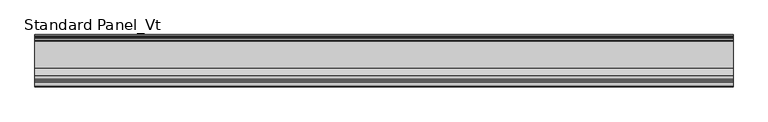
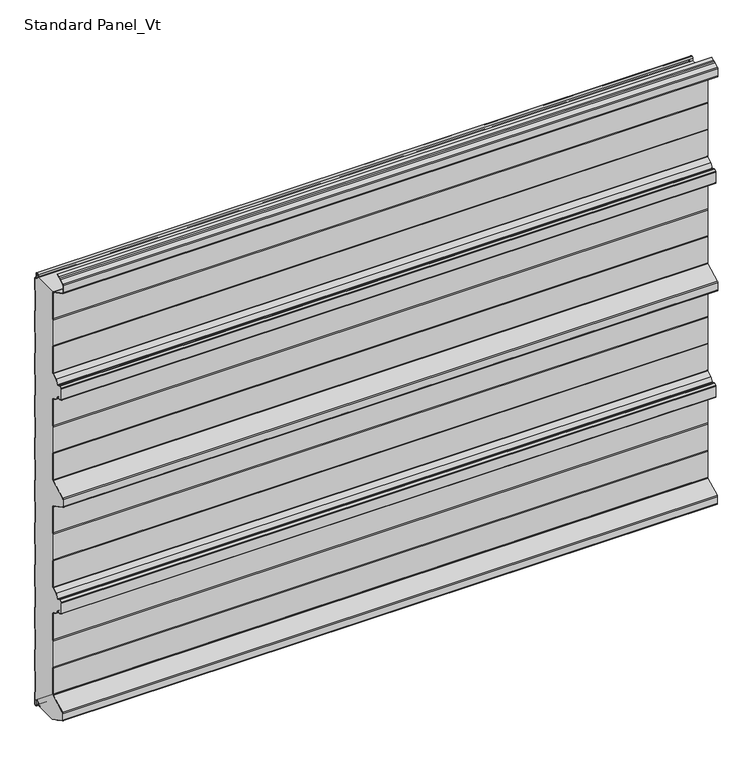
"""IFC4 building model written with IfcOpenShell, lengths in millimetres: proxy geometry, Standard Panel_Vt."""

from ifc_helpers import new_model, si_unit, point, frame, frame_2d, origin, place, context, project, spatial, polyline, circle_curve, trimmed, segment, composite_curve, outline, extrude, source, transform, mapped, element, save


def standard_panel_vt_ffb8ff2b(model_context):
    return source(origin(), model_context, "Body", "SweptSolid", [
        extrude(outline(composite_curve([segment(trimmed(circle_curve(frame_2d((-71.75, 967.456399)), 2.55), [point((-69.2, 967.456399))], [point((-69.6107833, 968.8442938))], True, "CARTESIAN"), True, "CONTINUOUS"), segment(polyline([(-69.6107833, 968.8442938), (-13.0699171, 968.8442938), (-11.8132517, 974.2875095)]), True, "CONTINUOUS"), segment(trimmed(circle_curve(frame_2d((-9.036297, 973.646399)), 2.85), [point((-11.8132517, 974.2875095))], [point((-6.186297, 973.646399))], False, "CARTESIAN"), True, "CONTINUOUS"), segment(polyline([(-6.186297, 973.646399), (-6.186297, 963.846399)]), True, "CONTINUOUS"), segment(trimmed(circle_curve(frame_2d((-3.436297, 963.846399)), 2.75), [point((-6.186297, 963.846399))], [point((-3.436297, 961.096399))], True, "CARTESIAN"), True, "CONTINUOUS"), segment(polyline([(-3.436297, 961.096399), (-2.036297, 961.096399)]), True, "CONTINUOUS"), segment(trimmed(circle_curve(frame_2d((-2.036297, 959.846399)), 1.25), [point((-2.036297, 961.096399))], [point((-0.786297, 959.846399))], False, "CARTESIAN"), True, "CONTINUOUS"), segment(polyline([(-0.786297, 959.846399), (-0.786297, 932.8331036), (-1.786297, 931.1010528), (-1.786297, 884.6770917), (-0.786297, 882.9025902), (-0.786297, 833.8331036), (-1.8, 832.1010528), (-1.8, 785.6364357), (-0.8, 783.9043849), (-0.8, 734.8331036), (-1.8, 733.1010528), (-1.8, 686.6770917), (-0.8, 684.9025902), (-0.8, 635.8331036), (-1.8, 634.1010528), (-1.8, 587.6770917), (-0.8, 585.9025902), (-0.8, 536.8331036), (-1.8, 535.1010528), (-1.8, 488.6364357), (-0.8, 486.9043849), (-0.8, 437.8331036), (-1.8, 436.1010528), (-1.8, 389.6364357), (-0.8, 387.9043849), (-0.8, 338.8331036), (-1.8, 337.1010528), (-1.8, 290.6770917), (-0.8, 288.9025902), (-0.8, 239.8331036), (-1.8, 238.1010528), (-1.8, 191.6364357), (-0.8, 189.9043849), (-0.8, 140.8331036), (-1.8, 139.1010528), (-1.8, 92.6364357), (-0.8, 90.9043849), (-0.8, 41.8331036), (-1.8, 40.1010528), (-1.8, -6.3635643), (-0.8, -8.0956151), (-0.8, -35.653601)]), True, "CONTINUOUS"), segment(trimmed(circle_curve(frame_2d((-2.55, -35.653601)), 1.75), [point((-0.8, -35.653601))], [point((-4.3, -35.653601))], False, "CARTESIAN"), True, "CONTINUOUS"), segment(polyline([(-4.3, -35.653601), (-4.3, -26.153601)]), True, "CONTINUOUS"), segment(trimmed(circle_curve(frame_2d((-9.05, -26.153601)), 4.75), [point((-4.3, -26.153601))], [point((-13.7278368, -25.3287722))], True, "CARTESIAN"), True, "CONTINUOUS"), segment(polyline([(-13.7278368, -25.3287722), (-14.4904098, -29.6535385)]), True, "CONTINUOUS"), segment(trimmed(circle_curve(frame_2d((-15.3274964, -29.5059375)), 0.85), [point((-14.4904098, -29.6535385))], [point((-16.1690547, -29.6254352))], False, "CARTESIAN"), True, "CONTINUOUS"), segment(polyline([(-16.1690547, -29.6254352), (-16.8682582, -24.7013192), (-17.660313, -24.8137877), (-16.9611095, -29.7379036)]), True, "CONTINUOUS"), segment(trimmed(circle_curve(frame_2d((-15.3274964, -29.5059375)), 1.65), [point((-16.9611095, -29.7379036))], [point((-15.3551162, -31.1557063))], True, "CARTESIAN"), True, "CONTINUOUS"), segment(polyline([(-15.3551162, -31.1557063), (-66.7559646, -31.1557063), (-105.4808064, -10.5653426)]), True, "CONTINUOUS"), segment(trimmed(circle_curve(frame_2d((-104.5183897, -8.7553)), 2.05), [point((-105.4808064, -10.5653426))], [point((-106.5683897, -8.7553))], False, "CARTESIAN"), True, "CONTINUOUS"), segment(polyline([(-106.5683897, -8.7553), (-106.5683897, 6.7553)]), True, "CONTINUOUS"), segment(trimmed(circle_curve(frame_2d((-104.5183897, 6.7553)), 2.05), [point((-106.5683897, 6.7553))], [point((-105.4813607, 8.5650477))], False, "CARTESIAN"), True, "CONTINUOUS"), segment(polyline([(-105.4813607, 8.5650477), (-70.5090325, 27.08352)]), True, "CONTINUOUS"), segment(trimmed(circle_curve(frame_2d((-71.7198823, 29.2934182)), 2.5198823), [point((-70.5090325, 27.08352))], [point((-69.2, 29.2934182))], True, "CARTESIAN"), True, "CONTINUOUS"), segment(polyline([(-69.2, 29.2934182), (-69.2, 90.6923193), (-70.1683897, 93.6457761), (-70.1683897, 153.4455537), (-69.2, 156.4610626), (-69.2, 218.3415811)]), True, "CONTINUOUS"), segment(trimmed(circle_curve(frame_2d((-70.9901889, 218.5292607)), 1.8), [point((-69.2, 218.3415811))], [point((-70.1451242, 220.1185579))], True, "CARTESIAN"), True, "CONTINUOUS"), segment(polyline([(-70.1451242, 220.1185579), (-81.6632074, 226.2429788), (-87.3508249, 235.2263707)]), True, "CONTINUOUS"), segment(trimmed(circle_curve(frame_2d((-88.8716418, 234.2635022)), 1.8), [point((-87.3508249, 235.2263707))], [point((-89.6785164, 235.8725247))], True, "CARTESIAN"), True, "CONTINUOUS"), segment(polyline([(-89.6785164, 235.8725247), (-94.8574433, 233.2754544), (-100.4573069, 236.2530799), (-100.4573069, 261.7469268), (-94.8466132, 264.730008), (-89.6784342, 262.138199)]), True, "CONTINUOUS"), segment(trimmed(circle_curve(frame_2d((-88.8715276, 263.7472055)), 1.8), [point((-89.6784342, 262.138199))], [point((-87.3507298, 262.7843068))], True, "CARTESIAN"), True, "CONTINUOUS"), segment(polyline([(-87.3507298, 262.7843068), (-81.6734802, 271.7509289), (-70.1454573, 277.8803412)]), True, "CONTINUOUS"), segment(trimmed(circle_curve(frame_2d((-70.9904904, 279.4696552)), 1.8), [point((-70.1454573, 277.8803412))], [point((-69.2, 279.6544369))], True, "CARTESIAN"), True, "CONTINUOUS"), segment(polyline([(-69.2, 279.6544369), (-69.2, 341.1072203), (-70.1683897, 343.4888602), (-70.1683897, 403.280201), (-69.2, 405.6618409), (-69.2, 467.4564123)]), True, "CONTINUOUS"), segment(trimmed(circle_curve(frame_2d((-71.75, 467.4564123)), 2.55), [point((-69.2, 467.4564123))], [point((-70.5528475, 469.7079287))], True, "CARTESIAN"), True, "CONTINUOUS"), segment(polyline([(-70.5528475, 469.7079287), (-106.4808064, 488.8111633)]), True, "CONTINUOUS"), segment(trimmed(circle_curve(frame_2d((-105.5183897, 490.6212058)), 2.05), [point((-106.4808064, 488.8111633))], [point((-107.5683897, 490.6212058))], False, "CARTESIAN"), True, "CONTINUOUS"), segment(polyline([(-107.5683897, 490.6212058), (-107.5683897, 507.3787942)]), True, "CONTINUOUS"), segment(trimmed(circle_curve(frame_2d((-105.5183897, 507.3787942)), 2.05), [point((-107.5683897, 507.3787942))], [point((-106.4808064, 509.1888367))], False, "CARTESIAN"), True, "CONTINUOUS"), segment(polyline([(-106.4808064, 509.1888367), (-70.5528475, 528.2920713)]), True, "CONTINUOUS"), segment(trimmed(circle_curve(frame_2d((-71.75, 530.5435877)), 2.55), [point((-70.5528475, 528.2920713))], [point((-69.2, 530.5435877))], True, "CARTESIAN"), True, "CONTINUOUS"), segment(polyline([(-69.2, 530.5435877), (-69.2, 591.8381591), (-70.1683897, 594.219799), (-70.1683897, 654.0111398), (-69.2, 656.3927803), (-69.2, 718.5303448)]), True, "CONTINUOUS"), segment(trimmed(circle_curve(frame_2d((-70.9997352, 718.5303448)), 1.7997352), [point((-69.2, 718.5303448))], [point((-70.1548264, 720.119425))], True, "CARTESIAN"), True, "CONTINUOUS"), segment(polyline([(-70.1548264, 720.119425), (-81.6832892, 726.2490712), (-87.3605387, 735.2156931)]), True, "CONTINUOUS"), segment(trimmed(circle_curve(frame_2d((-88.8813366, 734.2527944)), 1.8), [point((-87.3605387, 735.2156931))], [point((-89.6882431, 735.8618009))], True, "CARTESIAN"), True, "CONTINUOUS"), segment(polyline([(-89.6882431, 735.8618009), (-94.8564238, 733.269991), (-100.4669529, 736.2530911), (-100.4669529, 761.7470593), (-94.8672514, 764.724545), (-89.6883253, 762.1274752)]), True, "CONTINUOUS"), segment(trimmed(circle_curve(frame_2d((-88.8814507, 763.7364977)), 1.8), [point((-89.6883253, 762.1274752))], [point((-87.3606338, 762.7736292))], True, "CARTESIAN"), True, "CONTINUOUS"), segment(polyline([(-87.3606338, 762.7736292), (-81.6730163, 771.7570211), (-70.1549332, 777.881442)]), True, "CONTINUOUS"), segment(trimmed(circle_curve(frame_2d((-70.9999978, 779.4707392)), 1.8), [point((-70.1549332, 777.881442))], [point((-69.2, 779.4679533))], True, "CARTESIAN"), True, "CONTINUOUS"), segment(polyline([(-69.2, 779.4679533), (-69.2, 841.6072201), (-70.1683897, 843.9888535), (-70.1683897, 903.7801942), (-69.2, 906.1618275), (-69.2, 967.456399)]), True, "CONTINUOUS")], self_intersect=False)), frame((-723.9042608, 0.0, 0.0), z_axis=(1.0, 0.0, 0.0), x_axis=(0.0, 1.0, 0.0)), (0.0, 0.0, 1.0), 1447.8085217),
        extrude(outline(composite_curve([segment(trimmed(circle_curve(frame_2d((-71.75, 967.456399)), 1.75), [point((-70.0, 967.456399))], [point((-70.9284248, 969.0015573))], True, "CARTESIAN"), True, "CONTINUOUS"), segment(polyline([(-70.9284248, 969.0015573), (-106.8563836, 988.1047918)]), True, "CONTINUOUS"), segment(trimmed(circle_curve(frame_2d((-105.5183897, 990.6211925)), 2.85), [point((-106.8563836, 988.1047918))], [point((-108.3683897, 990.6211925))], False, "CARTESIAN"), True, "CONTINUOUS"), segment(polyline([(-108.3683897, 990.6211925), (-108.3683897, 1007.362)]), True, "CONTINUOUS"), segment(trimmed(circle_curve(frame_2d((-105.5183897, 1007.362)), 2.85), [point((-108.3683897, 1007.362))], [point((-106.8563836, 1009.8784006))], False, "CARTESIAN"), True, "CONTINUOUS"), segment(polyline([(-106.8563836, 1009.8784006), (-97.6702585, 1014.76275), (-95.3708693, 1017.1802976), (-92.000038, 1017.7776597), (-86.2289737, 1020.846189), (-85.8533964, 1020.139831), (-91.7360251, 1017.0119818), (-94.9723908, 1016.438449), (-97.1800551, 1014.1173397), (-106.4808064, 1009.1720426)]), True, "CONTINUOUS"), segment(trimmed(circle_curve(frame_2d((-105.5183897, 1007.362)), 2.05), [point((-106.4808064, 1009.1720426))], [point((-107.5683897, 1007.362))], True, "CARTESIAN"), True, "CONTINUOUS"), segment(polyline([(-107.5683897, 1007.362), (-107.5683897, 990.6211925)]), True, "CONTINUOUS"), segment(trimmed(circle_curve(frame_2d((-105.5183897, 990.6211925)), 2.05), [point((-107.5683897, 990.6211925))], [point((-106.4808064, 988.8111499))], True, "CARTESIAN"), True, "CONTINUOUS"), segment(polyline([(-106.4808064, 988.8111499), (-70.5528475, 969.7079153)]), True, "CONTINUOUS"), segment(trimmed(circle_curve(frame_2d((-71.75, 967.456399)), 2.55), [point((-70.5528475, 969.7079153))], [point((-69.2, 967.456399))], False, "CARTESIAN"), True, "CONTINUOUS"), segment(polyline([(-69.2, 967.456399), (-69.2, 906.1618275), (-70.1683897, 903.7801942), (-70.1683897, 843.9888535), (-69.2, 841.6072201), (-69.2, 779.4679533)]), True, "CONTINUOUS"), segment(trimmed(circle_curve(frame_2d((-70.9999978, 779.4707392)), 1.8), [point((-69.2, 779.4679533))], [point((-70.1549332, 777.881442))], False, "CARTESIAN"), True, "CONTINUOUS"), segment(polyline([(-70.1549332, 777.881442), (-81.6730163, 771.7570211), (-87.3606338, 762.7736292)]), True, "CONTINUOUS"), segment(trimmed(circle_curve(frame_2d((-88.8814507, 763.7364977)), 1.8), [point((-87.3606338, 762.7736292))], [point((-89.6883253, 762.1274752))], False, "CARTESIAN"), True, "CONTINUOUS"), segment(polyline([(-89.6883253, 762.1274752), (-94.8672514, 764.724545), (-100.4669529, 761.7470593), (-100.4669529, 736.2530911), (-94.8564238, 733.269991), (-89.6882431, 735.8618009)]), True, "CONTINUOUS"), segment(trimmed(circle_curve(frame_2d((-88.8813366, 734.2527944)), 1.8), [point((-89.6882431, 735.8618009))], [point((-87.3605387, 735.2156931))], False, "CARTESIAN"), True, "CONTINUOUS"), segment(polyline([(-87.3605387, 735.2156931), (-81.6832892, 726.2490712), (-70.1548264, 720.119425)]), True, "CONTINUOUS"), segment(trimmed(circle_curve(frame_2d((-70.9997352, 718.5303448)), 1.7997352), [point((-70.1548264, 720.119425))], [point((-69.2, 718.5303448))], False, "CARTESIAN"), True, "CONTINUOUS"), segment(polyline([(-69.2, 718.5303448), (-69.2, 656.3927803), (-70.1683897, 654.0111398), (-70.1683897, 594.219799), (-69.2, 591.8381591), (-69.2, 530.5435877)]), True, "CONTINUOUS"), segment(trimmed(circle_curve(frame_2d((-71.75, 530.5435877)), 2.55), [point((-69.2, 530.5435877))], [point((-70.5528475, 528.2920713))], False, "CARTESIAN"), True, "CONTINUOUS"), segment(polyline([(-70.5528475, 528.2920713), (-106.4808064, 509.1888367)]), True, "CONTINUOUS"), segment(trimmed(circle_curve(frame_2d((-105.5183897, 507.3787942)), 2.05), [point((-106.4808064, 509.1888367))], [point((-107.5683897, 507.3787942))], True, "CARTESIAN"), True, "CONTINUOUS"), segment(polyline([(-107.5683897, 507.3787942), (-107.5683897, 490.6212058)]), True, "CONTINUOUS"), segment(trimmed(circle_curve(frame_2d((-105.5183897, 490.6212058)), 2.05), [point((-107.5683897, 490.6212058))], [point((-106.4808064, 488.8111633))], True, "CARTESIAN"), True, "CONTINUOUS"), segment(polyline([(-106.4808064, 488.8111633), (-70.5528475, 469.7079287)]), True, "CONTINUOUS"), segment(trimmed(circle_curve(frame_2d((-71.75, 467.4564123)), 2.55), [point((-70.5528475, 469.7079287))], [point((-69.2, 467.4564123))], False, "CARTESIAN"), True, "CONTINUOUS"), segment(polyline([(-69.2, 467.4564123), (-69.2, 406.1618409), (-70.1683897, 403.780201), (-70.1683897, 343.9888602), (-69.2, 341.6072203), (-69.2, 279.6544369)]), True, "CONTINUOUS"), segment(trimmed(circle_curve(frame_2d((-70.9904904, 279.4696552)), 1.8), [point((-69.2, 279.6544369))], [point((-70.1454573, 277.8803412))], False, "CARTESIAN"), True, "CONTINUOUS"), segment(polyline([(-70.1454573, 277.8803412), (-81.6734802, 271.7509289), (-87.3507298, 262.7843068)]), True, "CONTINUOUS"), segment(trimmed(circle_curve(frame_2d((-88.8715276, 263.7472055)), 1.8), [point((-87.3507298, 262.7843068))], [point((-89.6784342, 262.138199))], False, "CARTESIAN"), True, "CONTINUOUS"), segment(polyline([(-89.6784342, 262.138199), (-94.8466132, 264.730008), (-100.4573069, 261.7469268), (-100.4573069, 236.2530799), (-94.8574433, 233.2754544), (-89.6785164, 235.8725247)]), True, "CONTINUOUS"), segment(trimmed(circle_curve(frame_2d((-88.8716418, 234.2635022)), 1.8), [point((-89.6785164, 235.8725247))], [point((-87.3508249, 235.2263707))], False, "CARTESIAN"), True, "CONTINUOUS"), segment(polyline([(-87.3508249, 235.2263707), (-81.6632074, 226.2429788), (-70.1451242, 220.1185579)]), True, "CONTINUOUS"), segment(trimmed(circle_curve(frame_2d((-70.9901889, 218.5292607)), 1.8), [point((-70.1451242, 220.1185579))], [point((-69.2, 218.3415811))], False, "CARTESIAN"), True, "CONTINUOUS"), segment(polyline([(-69.2, 218.3415811), (-69.2, 156.5594953), (-70.1683897, 153.5439864), (-70.1683897, 93.6457761), (-69.2, 90.6923193), (-69.2, 29.2934182)]), True, "CONTINUOUS"), segment(trimmed(circle_curve(frame_2d((-71.7198823, 29.2934182)), 2.5198823), [point((-69.2, 29.2934182))], [point((-70.5090325, 27.08352))], False, "CARTESIAN"), True, "CONTINUOUS"), segment(polyline([(-70.5090325, 27.08352), (-105.4813607, 8.5650477)]), True, "CONTINUOUS"), segment(trimmed(circle_curve(frame_2d((-104.5183897, 6.7553)), 2.05), [point((-105.4813607, 8.5650477))], [point((-106.5683897, 6.7553))], True, "CARTESIAN"), True, "CONTINUOUS"), segment(polyline([(-106.5683897, 6.7553), (-106.5683897, -8.7553)]), True, "CONTINUOUS"), segment(trimmed(circle_curve(frame_2d((-104.5183897, -8.7553)), 2.05), [point((-106.5683897, -8.7553))], [point((-105.4808064, -10.5653426))], True, "CARTESIAN"), True, "CONTINUOUS"), segment(polyline([(-105.4808064, -10.5653426), (-84.8533847, -21.5331372), (-85.2289619, -22.2394953), (-105.8563836, -11.2717006)]), True, "CONTINUOUS"), segment(trimmed(circle_curve(frame_2d((-104.5183897, -8.7553)), 2.85), [point((-105.8563836, -11.2717006))], [point((-107.3683897, -8.7553))], False, "CARTESIAN"), True, "CONTINUOUS"), segment(polyline([(-107.3683897, -8.7553), (-107.3683897, 6.7553)]), True, "CONTINUOUS"), segment(trimmed(circle_curve(frame_2d((-104.5183897, 6.7553)), 2.85), [point((-107.3683897, 6.7553))], [point((-105.8563836, 9.2717006))], False, "CARTESIAN"), True, "CONTINUOUS"), segment(polyline([(-105.8563836, 9.2717006), (-70.8889236, 27.7875952)]), True, "CONTINUOUS"), segment(trimmed(circle_curve(frame_2d((-71.7198823, 29.2934182)), 1.7198823), [point((-70.8889236, 27.7875952))], [point((-70.0, 29.2934182))], True, "CARTESIAN"), True, "CONTINUOUS"), segment(polyline([(-70.0, 29.2934182), (-70.0, 90.5645133), (-70.9683897, 93.5179701), (-70.9683897, 153.6692896), (-70.0, 156.6847985), (-70.0, 218.3895256)]), True, "CONTINUOUS"), segment(trimmed(circle_curve(frame_2d((-70.9901889, 218.5292607)), 1.0), [point((-70.0, 218.3895256))], [point((-70.5207085, 219.4122036))], True, "CARTESIAN"), True, "CONTINUOUS"), segment(polyline([(-70.5207085, 219.4122036), (-82.2258174, 225.6360702), (-88.0267435, 234.7984291)]), True, "CONTINUOUS"), segment(trimmed(circle_curve(frame_2d((-88.8716418, 234.2635022)), 1.0), [point((-88.0267435, 234.7984291))], [point((-89.3199055, 235.1574036))], True, "CARTESIAN"), True, "CONTINUOUS"), segment(polyline([(-89.3199055, 235.1574036), (-94.4064911, 232.6066396)]), True, "CONTINUOUS"), segment(trimmed(circle_curve(frame_2d((-94.8547548, 233.500541)), 1.0), [point((-94.4064911, 232.6066396))], [point((-95.3242418, 232.6176016))], False, "CARTESIAN"), True, "CONTINUOUS"), segment(polyline([(-95.3242418, 232.6176016), (-100.4615583, 235.3492761)]), True, "CONTINUOUS"), segment(trimmed(circle_curve(frame_2d((-99.7573465, 236.6736502)), 1.4999604), [point((-100.4615583, 235.3492761))], [point((-101.2573069, 236.6736502))], False, "CARTESIAN"), True, "CONTINUOUS"), segment(polyline([(-101.2573069, 236.6736502), (-101.2573069, 261.3262653)]), True, "CONTINUOUS"), segment(trimmed(circle_curve(frame_2d((-99.7572281, 261.3262653)), 1.5000788), [point((-101.2573069, 261.3262653))], [point((-100.4614397, 262.6507736))], False, "CARTESIAN"), True, "CONTINUOUS"), segment(polyline([(-100.4614397, 262.6507736), (-95.3133815, 265.3878819)]), True, "CONTINUOUS"), segment(trimmed(circle_curve(frame_2d((-94.8439317, 264.5049227)), 1.0), [point((-95.3133815, 265.3878819))], [point((-94.3956503, 265.3988152))], False, "CARTESIAN"), True, "CONTINUOUS"), segment(polyline([(-94.3956503, 265.3988152), (-89.319809, 262.853313)]), True, "CONTINUOUS"), segment(trimmed(circle_curve(frame_2d((-88.8715276, 263.7472055)), 1.0), [point((-89.319809, 262.853313))], [point((-88.0266399, 263.2122617))], True, "CARTESIAN"), True, "CONTINUOUS"), segment(polyline([(-88.0266399, 263.2122617), (-82.2360781, 272.3578487), (-70.5210275, 278.586703)]), True, "CONTINUOUS"), segment(trimmed(circle_curve(frame_2d((-70.9904904, 279.4696552)), 1.0), [point((-70.5210275, 278.586703))], [point((-70.0, 279.6072374))], True, "CARTESIAN"), True, "CONTINUOUS"), segment(polyline([(-70.0, 279.6072374), (-70.0, 341.450796), (-70.9683897, 343.8324358), (-70.9683897, 403.9366254), (-70.0, 406.3182652), (-70.0, 467.4564123)]), True, "CONTINUOUS"), segment(trimmed(circle_curve(frame_2d((-71.75, 467.4564123)), 1.75), [point((-70.0, 467.4564123))], [point((-70.9284248, 469.0015706))], True, "CARTESIAN"), True, "CONTINUOUS"), segment(polyline([(-70.9284248, 469.0015706), (-106.8563836, 488.1048052)]), True, "CONTINUOUS"), segment(trimmed(circle_curve(frame_2d((-105.5183897, 490.6212058)), 2.85), [point((-106.8563836, 488.1048052))], [point((-108.3683897, 490.6212058))], False, "CARTESIAN"), True, "CONTINUOUS"), segment(polyline([(-108.3683897, 490.6212058), (-108.3683897, 507.3787942)]), True, "CONTINUOUS"), segment(trimmed(circle_curve(frame_2d((-105.5183897, 507.3787942)), 2.85), [point((-108.3683897, 507.3787942))], [point((-106.8563836, 509.8951948))], False, "CARTESIAN"), True, "CONTINUOUS"), segment(polyline([(-106.8563836, 509.8951948), (-70.9284248, 528.9984294)]), True, "CONTINUOUS"), segment(trimmed(circle_curve(frame_2d((-71.75, 530.5435877)), 1.75), [point((-70.9284248, 528.9984294))], [point((-70.0, 530.5435877))], True, "CARTESIAN"), True, "CONTINUOUS"), segment(polyline([(-70.0, 530.5435877), (-70.0, 591.6817348), (-70.9683897, 594.0633746), (-70.9683897, 654.1675642), (-69.9999999, 656.5492046), (-69.9999999, 718.5303448)]), True, "CONTINUOUS"), segment(trimmed(circle_curve(frame_2d((-70.9997352, 718.5303448)), 0.9997353), [point((-69.9999999, 718.5303448))], [point((-70.5303966, 719.4130633))], True, "CARTESIAN"), True, "CONTINUOUS"), segment(polyline([(-70.5303966, 719.4130633), (-82.2458871, 725.6421514), (-88.0364489, 734.7877382)]), True, "CONTINUOUS"), segment(trimmed(circle_curve(frame_2d((-88.8813366, 734.2527944)), 1.0), [point((-88.0364489, 734.7877382))], [point((-89.329618, 735.1466869))], True, "CARTESIAN"), True, "CONTINUOUS"), segment(polyline([(-89.329618, 735.1466869), (-94.4054592, 732.6011847)]), True, "CONTINUOUS"), segment(trimmed(circle_curve(frame_2d((-94.8537406, 733.4950772)), 1.0), [point((-94.4054592, 732.6011847))], [point((-95.3232034, 732.6121249))], False, "CARTESIAN"), True, "CONTINUOUS"), segment(polyline([(-95.3232034, 732.6121249), (-100.4711471, 735.3492698)]), True, "CONTINUOUS"), segment(trimmed(circle_curve(frame_2d((-99.7669529, 736.6736982)), 1.5), [point((-100.4711471, 735.3492698))], [point((-101.2669529, 736.6736982))], False, "CARTESIAN"), True, "CONTINUOUS"), segment(polyline([(-101.2669529, 736.6736982), (-101.2669529, 761.2992274)]), True, "CONTINUOUS"), segment(trimmed(circle_curve(frame_2d((-99.7671978, 761.3263314)), 1.5), [point((-101.2669529, 761.2992274))], [point((-100.4714183, 762.6507457))], False, "CARTESIAN"), True, "CONTINUOUS"), segment(polyline([(-100.4714183, 762.6507457), (-95.3340441, 765.3824018)]), True, "CONTINUOUS"), segment(trimmed(circle_curve(frame_2d((-94.8645637, 764.4994589)), 1.0), [point((-95.3340441, 765.3824018))], [point((-94.4163001, 765.3933603))], False, "CARTESIAN"), True, "CONTINUOUS"), segment(polyline([(-94.4163001, 765.3933603), (-89.3297144, 762.8425963)]), True, "CONTINUOUS"), segment(trimmed(circle_curve(frame_2d((-88.8814507, 763.7364977)), 1.0), [point((-89.3297144, 762.8425963))], [point((-88.0365524, 763.2015707))], True, "CARTESIAN"), True, "CONTINUOUS"), segment(polyline([(-88.0365524, 763.2015707), (-82.2356263, 772.3639297), (-70.5305175, 778.5877963)]), True, "CONTINUOUS"), segment(trimmed(circle_curve(frame_2d((-70.9999978, 779.4707392)), 1.0), [point((-70.5305175, 778.5877963))], [point((-70.0, 779.4686627))], True, "CARTESIAN"), True, "CONTINUOUS"), segment(polyline([(-70.0, 779.4686627), (-70.0, 841.4507954), (-70.9683897, 843.8324287), (-70.9683897, 903.9366189), (-70.0, 906.3182523), (-70.0, 967.456399)]), True, "CONTINUOUS")], self_intersect=False)), frame((-723.9042608, 0.0, 0.0), z_axis=(1.0, 0.0, 0.0), x_axis=(0.0, 1.0, 0.0)), (0.0, 0.0, 1.0), 1447.8085217),
        extrude(outline(composite_curve([segment(trimmed(circle_curve(frame_2d((-2.55, -35.653601)), 2.55), [point((0.0, -35.653601))], [point((-5.1, -35.653601))], False, "CARTESIAN"), True, "CONTINUOUS"), segment(polyline([(-5.1, -35.653601), (-5.1, -26.153601)]), True, "CONTINUOUS"), segment(trimmed(circle_curve(frame_2d((-9.05, -26.153601)), 3.95), [point((-5.1, -26.153601))], [point((-12.9399906, -25.4676907))], True, "CARTESIAN"), True, "CONTINUOUS"), segment(polyline([(-12.9399906, -25.4676907), (-13.7025636, -29.792457)]), True, "CONTINUOUS"), segment(trimmed(circle_curve(frame_2d((-15.3274964, -29.5059375)), 1.65), [point((-13.7025636, -29.792457))], [point((-16.9611095, -29.7379036))], False, "CARTESIAN"), True, "CONTINUOUS"), segment(polyline([(-16.9611095, -29.7379036), (-17.660313, -24.8137877), (-16.8682582, -24.7013192), (-16.1690547, -29.6254352)]), True, "CONTINUOUS"), segment(trimmed(circle_curve(frame_2d((-15.3274964, -29.5059375)), 0.85), [point((-16.1690547, -29.6254352))], [point((-14.4904098, -29.6535385))], True, "CARTESIAN"), True, "CONTINUOUS"), segment(polyline([(-14.4904098, -29.6535385), (-13.7278368, -25.3287722)]), True, "CONTINUOUS"), segment(trimmed(circle_curve(frame_2d((-9.05, -26.153601)), 4.75), [point((-13.7278368, -25.3287722))], [point((-4.3, -26.153601))], False, "CARTESIAN"), True, "CONTINUOUS"), segment(polyline([(-4.3, -26.153601), (-4.3, -35.653601)]), True, "CONTINUOUS"), segment(trimmed(circle_curve(frame_2d((-2.55, -35.653601)), 1.75), [point((-4.3, -35.653601))], [point((-0.8, -35.653601))], True, "CARTESIAN"), True, "CONTINUOUS"), segment(polyline([(-0.8, -35.653601), (-0.8, -8.0956151), (-1.8, -6.3635643), (-1.8, 40.1010528), (-0.8, 41.8331036), (-0.8, 90.9043849), (-1.8, 92.6364357), (-1.8, 139.1010528), (-0.8, 140.8331036), (-0.8, 189.9043849), (-1.8, 191.6364357), (-1.8, 238.1010528), (-0.8, 239.8331036), (-0.8, 288.9025902), (-1.8, 290.6770917), (-1.8, 337.1010528), (-0.8, 338.8331036), (-0.8, 387.9043849), (-1.8, 389.6364357), (-1.8, 436.1010528), (-0.8, 437.8331036), (-0.8, 486.9043849), (-1.8, 488.6364357), (-1.8, 535.1010528), (-0.8, 536.8331036), (-0.8, 585.9025902), (-1.8, 587.6770917), (-1.8, 634.1010528), (-0.8, 635.8331036), (-0.8, 684.9025902), (-1.8, 686.6770917), (-1.8, 733.1010528), (-0.8, 734.8331036), (-0.8, 783.9043849), (-1.8, 785.6364357), (-1.8, 832.1010528), (-0.786297, 833.8331036), (-0.786297, 882.9025902), (-1.786297, 884.6770917), (-1.786297, 931.1010528), (-0.786297, 932.8331036), (-0.786297, 959.846399)]), True, "CONTINUOUS"), segment(trimmed(circle_curve(frame_2d((-2.036297, 959.846399)), 1.25), [point((-0.786297, 959.846399))], [point((-2.036297, 961.096399))], True, "CARTESIAN"), True, "CONTINUOUS"), segment(polyline([(-2.036297, 961.096399), (-3.436297, 961.096399)]), True, "CONTINUOUS"), segment(trimmed(circle_curve(frame_2d((-3.436297, 963.846399)), 2.75), [point((-3.436297, 961.096399))], [point((-6.186297, 963.846399))], False, "CARTESIAN"), True, "CONTINUOUS"), segment(polyline([(-6.186297, 963.846399), (-6.186297, 973.646399)]), True, "CONTINUOUS"), segment(trimmed(circle_curve(frame_2d((-9.036297, 973.646399)), 2.85), [point((-6.186297, 973.646399))], [point((-11.8132517, 974.2875095))], True, "CARTESIAN"), True, "CONTINUOUS"), segment(polyline([(-11.8132517, 974.2875095), (-13.0699171, 968.8442938), (-13.8494131, 969.0242547), (-12.5927478, 974.4674703)]), True, "CONTINUOUS"), segment(trimmed(circle_curve(frame_2d((-9.036297, 973.646399)), 3.65), [point((-12.5927478, 974.4674703))], [point((-5.386297, 973.646399))], False, "CARTESIAN"), True, "CONTINUOUS"), segment(polyline([(-5.386297, 973.646399), (-5.386297, 963.846399)]), True, "CONTINUOUS"), segment(trimmed(circle_curve(frame_2d((-3.436297, 963.846399)), 1.95), [point((-5.386297, 963.846399))], [point((-3.436297, 961.896399))], True, "CARTESIAN"), True, "CONTINUOUS"), segment(polyline([(-3.436297, 961.896399), (-2.036297, 961.896399)]), True, "CONTINUOUS"), segment(trimmed(circle_curve(frame_2d((-2.036297, 959.846399)), 2.05), [point((-2.036297, 961.896399))], [point((0.013703, 959.846399))], False, "CARTESIAN"), True, "CONTINUOUS"), segment(polyline([(0.013703, 959.846399), (0.013703, 932.6187443), (-0.986297, 930.8866935), (-0.986297, 884.8869897), (0.013703, 883.1124882), (0.013703, 833.6187443), (-1.0, 831.8866935), (-1.0, 785.8507951), (0.0, 784.1187443), (0.0, 734.6187443), (-1.0, 732.8866935), (-1.0, 686.8869897), (0.0, 685.1124882), (0.0, 635.6187443), (-1.0, 633.8866935), (-1.0, 587.8869897), (0.0, 586.1124882), (0.0, 536.6187443), (-1.0, 534.8866935), (-1.0, 488.8507951), (0.0, 487.1187443), (0.0, 437.6187443), (-1.0, 435.8866935), (-1.0, 389.8507951), (0.0, 388.1187443), (0.0, 338.6187443), (-1.0, 336.8866935), (-1.0, 290.8869897), (0.0, 289.1124882), (0.0, 239.6187443), (-1.0, 237.8866935), (-1.0, 191.8507951), (0.0, 190.1187443), (0.0, 140.6187443), (-1.0, 138.8866935), (-1.0, 92.8507951), (0.0, 91.1187443), (0.0, 41.6187443), (-1.0, 39.8866935), (-1.0, -6.1492049), (0.0, -7.8812557), (0.0, -35.653601)]), True, "CONTINUOUS")], self_intersect=False)), frame((-723.9042608, 0.0, 0.0), z_axis=(1.0, 0.0, 0.0), x_axis=(0.0, 1.0, 0.0)), (0.0, 0.0, 1.0), 1447.8085217),
    ])


if __name__ == "__main__":
    model = new_model("IFC4")
    model_context = context("Model", 3, world=origin())
    ifc_project = project(units=[si_unit("LENGTHUNIT", "METRE", prefix="MILLI")], contexts=[model_context])
    site = spatial("IfcSite", under=ifc_project)
    building = spatial("IfcBuilding", under=site)
    placement = place(None, origin())
    standard_panel_vt_shape = standard_panel_vt_ffb8ff2b(model_context)
    element("IfcBuildingElementProxy", 1, Name="Standard Panel_Vt", ObjectType="Standard Panel_Vt", at=placement, inside=building, context=model_context, shape_type="MappedRepresentation", body=[
        mapped(standard_panel_vt_shape, transform((0.0, 0.0, 0.0), x_axis=(1.0, 0.0, 0.0), y_axis=(0.0, 1.0, 0.0), z_axis=(0.0, 0.0, 1.0))),
    ])
    save(model, "model.ifc")
